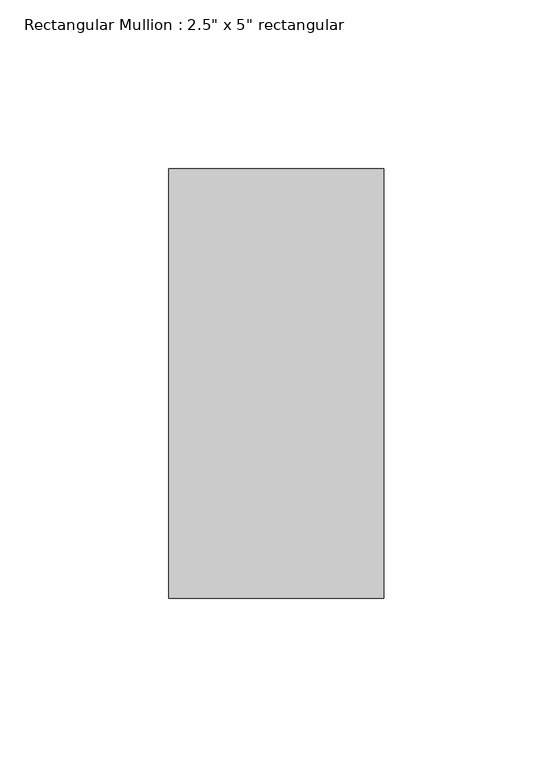
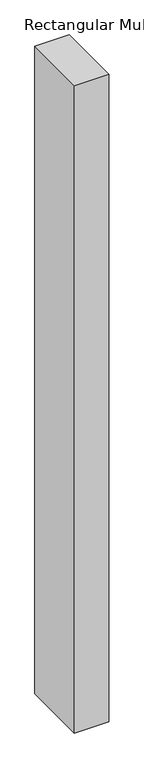
"""IFC4 building model written with IfcOpenShell, lengths in millimetres: member geometry."""

import ifcopenshell
import ifcopenshell.guid

model = None  # the IFC model being written
_history = None  # IfcOwnerHistory: only IFC2X3 demands one
_inside = {}  # id of a spatial element -> (the spatial element, [elements in it])
_under = {}  # id of a project, library or spatial element -> (it, [spatial elements below it])
_declared = {}  # id of a project -> (the project, [libraries it declares])
_typed = {}  # id of a type object -> (the type object, [elements of that type])
_made_of = {}  # id of a material, layer set ... -> (it, [elements and type objects made of it])


def new_model(schema):
    """Start an empty IFC model of exactly this schema.

    Asked for "IFC4X3", IfcOpenShell would pick the latest addendum, in which some entities
    have other attributes; the version numbers below select the first issue.
    IFC2X3 requires an IfcOwnerHistory on every rooted entity: one is made here for all.
    """
    global model, _history
    if schema == "IFC4X3":
        model = ifcopenshell.file(schema_version=(4, 3, 0, 0))
    else:
        model = ifcopenshell.file(schema=schema)
    _inside.clear()
    _under.clear()
    _declared.clear()
    _typed.clear()
    _made_of.clear()
    _history = None
    if model.schema == "IFC2X3":
        org = make("IfcOrganization", Name="unknown")
        user = make(
            "IfcPersonAndOrganization",
            ThePerson=make("IfcPerson", FamilyName="unknown"),
            TheOrganization=org,
        )
        app = make(
            "IfcApplication",
            ApplicationDeveloper=org,
            Version="unknown",
            ApplicationFullName="unknown",
            ApplicationIdentifier="unknown",
        )
        _history = make(
            "IfcOwnerHistory",
            OwningUser=user,
            OwningApplication=app,
            ChangeAction="ADDED",
            CreationDate=0,
        )
    return model


def make(cls, **values):
    """One entity of the class cls with the attributes given. An attribute that is None is left unset."""
    return model.create_entity(
        cls, **{name: value for name, value in values.items() if value is not None}
    )


def rooted(cls, **values):
    """An entity with a GlobalId (a new one), such as an element, a storey or a relation."""
    return make(cls, GlobalId=ifcopenshell.guid.new(), OwnerHistory=_history, **values)


def si_unit(unit_type, name, prefix=None):
    """IfcSIUnit, for example si_unit("LENGTHUNIT", "METRE", prefix="MILLI")."""
    return make("IfcSIUnit", UnitType=unit_type, Prefix=prefix, Name=name)


def assignment(units):
    """IfcUnitAssignment: the units of a project."""
    return None if units is None else make("IfcUnitAssignment", Units=units)


def point(xyz):
    """IfcCartesianPoint."""
    return None if xyz is None else make("IfcCartesianPoint", Coordinates=xyz)


def direction(xyz):
    """IfcDirection."""
    return None if xyz is None else make("IfcDirection", DirectionRatios=xyz)


def frame(location, z_axis=None, x_axis=None):
    """IfcAxis2Placement3D, a coordinate frame: its origin and axes. An axis left out is left unset."""
    return make(
        "IfcAxis2Placement3D",
        Location=point(location),
        Axis=direction(z_axis),
        RefDirection=direction(x_axis),
    )


def origin():
    """The frame at (0, 0, 0) with its axes left unset."""
    return frame((0.0, 0.0, 0.0))


def place(relative_to, where):
    """IfcLocalPlacement: puts the frame where relative to a parent placement (None: the world)."""
    return make(
        "IfcLocalPlacement", PlacementRelTo=relative_to, RelativePlacement=where
    )


def context(
    kind, dimensions, precision=None, world=None, true_north=None, identifier=None
):
    """IfcGeometricRepresentationContext, for example the 3D "Model" context."""
    return make(
        "IfcGeometricRepresentationContext",
        ContextIdentifier=identifier,
        ContextType=kind,
        CoordinateSpaceDimension=dimensions,
        Precision=precision,
        WorldCoordinateSystem=world,
        TrueNorth=true_north,
    )


def project(units=None, contexts=None):
    """IfcProject with its units and contexts."""
    return rooted(
        "IfcProject",
        Name="project",
        RepresentationContexts=contexts,
        UnitsInContext=assignment(units),
    )


def spatial(cls, under=None, at=None, **own):
    """A site, building, storey or space (cls), placed at a placement, below another one or the project."""
    s = rooted(cls, ObjectPlacement=at, **own)
    if under is not None:
        _under.setdefault(under.id(), (under, []))[1].append(s)
    return s


def polyline(points):
    """IfcPolyline through the points."""
    return make("IfcPolyline", Points=[point(p) for p in points])


def outline(outer, holes=None, kind="AREA"):
    """IfcArbitraryClosedProfileDef: a profile drawn as a closed curve; with holes, ...WithVoids."""
    if holes is None:
        return make("IfcArbitraryClosedProfileDef", ProfileType=kind, OuterCurve=outer)
    return make(
        "IfcArbitraryProfileDefWithVoids",
        ProfileType=kind,
        OuterCurve=outer,
        InnerCurves=holes,
    )


def extrude(swept, where, along, depth):
    """IfcExtrudedAreaSolid: the profile swept, set in the frame where, extruded along a direction by depth."""
    return make(
        "IfcExtrudedAreaSolid",
        SweptArea=swept,
        Position=where,
        ExtrudedDirection=direction(along),
        Depth=depth,
    )


def shape(context_of_items, identifier, shape_type, items):
    """IfcShapeRepresentation: the items that make up one representation, for example the "Body"."""
    return make(
        "IfcShapeRepresentation",
        ContextOfItems=context_of_items,
        RepresentationIdentifier=identifier,
        RepresentationType=shape_type,
        Items=items,
    )


def source(mapping_origin, context_of_items, identifier, shape_type, items):
    """IfcRepresentationMap: a shape defined once, which mapped items show again and again."""
    return make(
        "IfcRepresentationMap",
        MappingOrigin=mapping_origin,
        MappedRepresentation=shape(context_of_items, identifier, shape_type, items),
    )


def transform(
    local_origin,
    x_axis=None,
    y_axis=None,
    z_axis=None,
    scale=None,
    scale2=None,
    scale3=None,
    uniform=True,
):
    """IfcCartesianTransformationOperator3D, or its non-uniform kind. x_axis, y_axis, z_axis: its Axis1, 2, 3."""
    if uniform:
        return make(
            "IfcCartesianTransformationOperator3D",
            Axis1=direction(x_axis),
            Axis2=direction(y_axis),
            LocalOrigin=point(local_origin),
            Scale=scale,
            Axis3=direction(z_axis),
        )
    return make(
        "IfcCartesianTransformationOperator3DnonUniform",
        Axis1=direction(x_axis),
        Axis2=direction(y_axis),
        LocalOrigin=point(local_origin),
        Scale=scale,
        Axis3=direction(z_axis),
        Scale2=scale2,
        Scale3=scale3,
    )


def mapped(mapping_source, mapping_target):
    """IfcMappedItem: shows the shape of a source again, moved by a transform."""
    return make(
        "IfcMappedItem", MappingSource=mapping_source, MappingTarget=mapping_target
    )


def made_of(thing, what):
    """Note that an element or type object is made of a material, layer set ...; save() writes the relation."""
    if what is not None:
        _made_of.setdefault(what.id(), (what, []))[1].append(thing)
    return thing


def element(
    cls,
    number,
    at=None,
    inside=None,
    cuts=None,
    type_object=None,
    material=None,
    context=None,
    identifier="Body",
    shape_type=None,
    held_by="IfcProductDefinitionShape",
    body=None,
    shapes=None,
    **own,
):
    """One element of the class cls, such as IfcWall. Its Tag is "e" and its number.

    at: its placement. inside: the storey or other place that contains it. cuts: it is an
    opening in that element (IfcRelVoidsElement). A single representation is given by context,
    identifier, shape_type and body (its items); several are given by shapes. held_by: the class
    of the entity that holds the representations. save() writes the other relations.
    """
    e = rooted(cls, Tag="e%d" % number, ObjectPlacement=at, **own)
    if body is not None:
        shapes = [shape(context, identifier, shape_type, body)]
    if shapes is not None:
        e.Representation = make(held_by, Representations=shapes)
    if inside is not None:
        _inside.setdefault(inside.id(), (inside, []))[1].append(e)
    if cuts is not None:
        rooted(
            "IfcRelVoidsElement", RelatingBuildingElement=cuts, RelatedOpeningElement=e
        )
    if type_object is not None:
        _typed.setdefault(type_object.id(), (type_object, []))[1].append(e)
    return made_of(e, material)


def aggregate(whole, parts):
    """IfcRelAggregates: a whole, such as a stair, and the parts it consists of."""
    return rooted("IfcRelAggregates", RelatingObject=whole, RelatedObjects=parts)


def save(model, path):
    """Write the relations noted so far, then the file.

    IfcRelAggregates (storeys below a building ...), IfcRelContainedInSpatialStructure (elements
    in a storey), IfcRelDefinesByType, IfcRelAssociatesMaterial and IfcRelDeclares: one each for
    every whole, place, type object, material and project.
    """
    for whole, parts in _under.values():
        aggregate(whole, parts)
    for where, things in _inside.values():
        rooted(
            "IfcRelContainedInSpatialStructure",
            RelatedElements=things,
            RelatingStructure=where,
        )
    for kind, things in _typed.values():
        rooted("IfcRelDefinesByType", RelatedObjects=things, RelatingType=kind)
    for what, things in _made_of.values():
        rooted("IfcRelAssociatesMaterial", RelatedObjects=things, RelatingMaterial=what)
    for by, libraries in _declared.values():
        rooted("IfcRelDeclares", RelatingContext=by, RelatedDefinitions=libraries)
    model.write(path)


def member_eb40b8ba(model_context):
    return source(origin(), model_context, "Body", "SweptSolid", [
        extrude(outline(polyline([(0.0, 63.5), (0.0, -63.5), (-63.5, -63.5), (-63.5, 63.5), (0.0, 63.5)])), frame((0.0, 0.0, -1268.25), z_axis=(0.0, 0.0, 1.0), x_axis=(1.0, 0.0, 0.0)), (0.0, 0.0, 1.0), 1268.25),
    ])


if __name__ == "__main__":
    model = new_model("IFC4")
    model_context = context("Model", 3, world=origin())
    ifc_project = project(units=[si_unit("LENGTHUNIT", "METRE", prefix="MILLI")], contexts=[model_context])
    site = spatial("IfcSite", under=ifc_project)
    building = spatial("IfcBuilding", under=site)
    placement = place(None, origin())
    member_shape = member_eb40b8ba(model_context)
    element("IfcMember", 1, ObjectType="Rectangular Mullion : 2.5\" x 5\" rectangular", at=placement, inside=building, context=model_context, shape_type="MappedRepresentation", body=[
        mapped(member_shape, transform((0.0, 0.0, 0.0), x_axis=(1.0, 0.0, 0.0), y_axis=(0.0, 1.0, 0.0), z_axis=(0.0, 0.0, 1.0))),
    ])
    save(model, "model.ifc")
